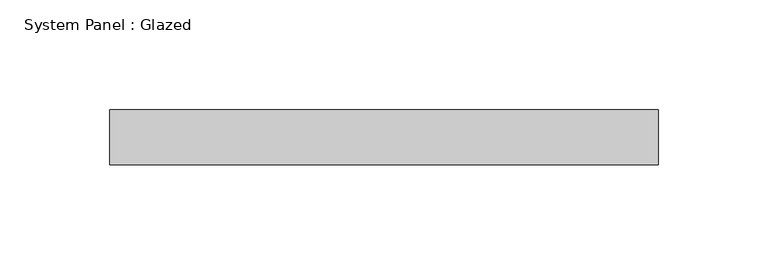
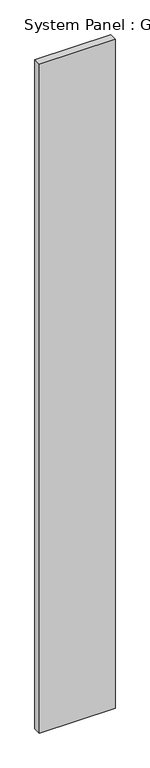
"""IFC4 building model written with IfcOpenShell, lengths in millimetres: plate geometry, System Panel : Glazed."""

import ifcopenshell
import ifcopenshell.guid

model = None  # the IFC model being written
_history = None  # IfcOwnerHistory: only IFC2X3 demands one
_inside = {}  # id of a spatial element -> (the spatial element, [elements in it])
_under = {}  # id of a project, library or spatial element -> (it, [spatial elements below it])
_declared = {}  # id of a project -> (the project, [libraries it declares])
_typed = {}  # id of a type object -> (the type object, [elements of that type])
_made_of = {}  # id of a material, layer set ... -> (it, [elements and type objects made of it])


def new_model(schema):
    """Start an empty IFC model of exactly this schema.

    Asked for "IFC4X3", IfcOpenShell would pick the latest addendum, in which some entities
    have other attributes; the version numbers below select the first issue.
    IFC2X3 requires an IfcOwnerHistory on every rooted entity: one is made here for all.
    """
    global model, _history
    if schema == "IFC4X3":
        model = ifcopenshell.file(schema_version=(4, 3, 0, 0))
    else:
        model = ifcopenshell.file(schema=schema)
    _inside.clear()
    _under.clear()
    _declared.clear()
    _typed.clear()
    _made_of.clear()
    _history = None
    if model.schema == "IFC2X3":
        org = make("IfcOrganization", Name="unknown")
        user = make(
            "IfcPersonAndOrganization",
            ThePerson=make("IfcPerson", FamilyName="unknown"),
            TheOrganization=org,
        )
        app = make(
            "IfcApplication",
            ApplicationDeveloper=org,
            Version="unknown",
            ApplicationFullName="unknown",
            ApplicationIdentifier="unknown",
        )
        _history = make(
            "IfcOwnerHistory",
            OwningUser=user,
            OwningApplication=app,
            ChangeAction="ADDED",
            CreationDate=0,
        )
    return model


def make(cls, **values):
    """One entity of the class cls with the attributes given. An attribute that is None is left unset."""
    return model.create_entity(
        cls, **{name: value for name, value in values.items() if value is not None}
    )


def rooted(cls, **values):
    """An entity with a GlobalId (a new one), such as an element, a storey or a relation."""
    return make(cls, GlobalId=ifcopenshell.guid.new(), OwnerHistory=_history, **values)


def si_unit(unit_type, name, prefix=None):
    """IfcSIUnit, for example si_unit("LENGTHUNIT", "METRE", prefix="MILLI")."""
    return make("IfcSIUnit", UnitType=unit_type, Prefix=prefix, Name=name)


def assignment(units):
    """IfcUnitAssignment: the units of a project."""
    return None if units is None else make("IfcUnitAssignment", Units=units)


def point(xyz):
    """IfcCartesianPoint."""
    return None if xyz is None else make("IfcCartesianPoint", Coordinates=xyz)


def direction(xyz):
    """IfcDirection."""
    return None if xyz is None else make("IfcDirection", DirectionRatios=xyz)


def frame(location, z_axis=None, x_axis=None):
    """IfcAxis2Placement3D, a coordinate frame: its origin and axes. An axis left out is left unset."""
    return make(
        "IfcAxis2Placement3D",
        Location=point(location),
        Axis=direction(z_axis),
        RefDirection=direction(x_axis),
    )


def origin():
    """The frame at (0, 0, 0) with its axes left unset."""
    return frame((0.0, 0.0, 0.0))


def origin_with_axes():
    """The frame at (0, 0, 0) with the z axis (0, 0, 1) and the x axis (1, 0, 0) written out."""
    return frame((0.0, 0.0, 0.0), z_axis=(0.0, 0.0, 1.0), x_axis=(1.0, 0.0, 0.0))


def place(relative_to, where):
    """IfcLocalPlacement: puts the frame where relative to a parent placement (None: the world)."""
    return make(
        "IfcLocalPlacement", PlacementRelTo=relative_to, RelativePlacement=where
    )


def context(
    kind, dimensions, precision=None, world=None, true_north=None, identifier=None
):
    """IfcGeometricRepresentationContext, for example the 3D "Model" context."""
    return make(
        "IfcGeometricRepresentationContext",
        ContextIdentifier=identifier,
        ContextType=kind,
        CoordinateSpaceDimension=dimensions,
        Precision=precision,
        WorldCoordinateSystem=world,
        TrueNorth=true_north,
    )


def project(units=None, contexts=None):
    """IfcProject with its units and contexts."""
    return rooted(
        "IfcProject",
        Name="project",
        RepresentationContexts=contexts,
        UnitsInContext=assignment(units),
    )


def spatial(cls, under=None, at=None, **own):
    """A site, building, storey or space (cls), placed at a placement, below another one or the project."""
    s = rooted(cls, ObjectPlacement=at, **own)
    if under is not None:
        _under.setdefault(under.id(), (under, []))[1].append(s)
    return s


def polyline(points):
    """IfcPolyline through the points."""
    return make("IfcPolyline", Points=[point(p) for p in points])


def outline(outer, holes=None, kind="AREA"):
    """IfcArbitraryClosedProfileDef: a profile drawn as a closed curve; with holes, ...WithVoids."""
    if holes is None:
        return make("IfcArbitraryClosedProfileDef", ProfileType=kind, OuterCurve=outer)
    return make(
        "IfcArbitraryProfileDefWithVoids",
        ProfileType=kind,
        OuterCurve=outer,
        InnerCurves=holes,
    )


def extrude(swept, where, along, depth):
    """IfcExtrudedAreaSolid: the profile swept, set in the frame where, extruded along a direction by depth."""
    return make(
        "IfcExtrudedAreaSolid",
        SweptArea=swept,
        Position=where,
        ExtrudedDirection=direction(along),
        Depth=depth,
    )


def shape(context_of_items, identifier, shape_type, items):
    """IfcShapeRepresentation: the items that make up one representation, for example the "Body"."""
    return make(
        "IfcShapeRepresentation",
        ContextOfItems=context_of_items,
        RepresentationIdentifier=identifier,
        RepresentationType=shape_type,
        Items=items,
    )


def source(mapping_origin, context_of_items, identifier, shape_type, items):
    """IfcRepresentationMap: a shape defined once, which mapped items show again and again."""
    return make(
        "IfcRepresentationMap",
        MappingOrigin=mapping_origin,
        MappedRepresentation=shape(context_of_items, identifier, shape_type, items),
    )


def transform(
    local_origin,
    x_axis=None,
    y_axis=None,
    z_axis=None,
    scale=None,
    scale2=None,
    scale3=None,
    uniform=True,
):
    """IfcCartesianTransformationOperator3D, or its non-uniform kind. x_axis, y_axis, z_axis: its Axis1, 2, 3."""
    if uniform:
        return make(
            "IfcCartesianTransformationOperator3D",
            Axis1=direction(x_axis),
            Axis2=direction(y_axis),
            LocalOrigin=point(local_origin),
            Scale=scale,
            Axis3=direction(z_axis),
        )
    return make(
        "IfcCartesianTransformationOperator3DnonUniform",
        Axis1=direction(x_axis),
        Axis2=direction(y_axis),
        LocalOrigin=point(local_origin),
        Scale=scale,
        Axis3=direction(z_axis),
        Scale2=scale2,
        Scale3=scale3,
    )


def mapped(mapping_source, mapping_target):
    """IfcMappedItem: shows the shape of a source again, moved by a transform."""
    return make(
        "IfcMappedItem", MappingSource=mapping_source, MappingTarget=mapping_target
    )


def made_of(thing, what):
    """Note that an element or type object is made of a material, layer set ...; save() writes the relation."""
    if what is not None:
        _made_of.setdefault(what.id(), (what, []))[1].append(thing)
    return thing


def element(
    cls,
    number,
    at=None,
    inside=None,
    cuts=None,
    type_object=None,
    material=None,
    context=None,
    identifier="Body",
    shape_type=None,
    held_by="IfcProductDefinitionShape",
    body=None,
    shapes=None,
    **own,
):
    """One element of the class cls, such as IfcWall. Its Tag is "e" and its number.

    at: its placement. inside: the storey or other place that contains it. cuts: it is an
    opening in that element (IfcRelVoidsElement). A single representation is given by context,
    identifier, shape_type and body (its items); several are given by shapes. held_by: the class
    of the entity that holds the representations. save() writes the other relations.
    """
    e = rooted(cls, Tag="e%d" % number, ObjectPlacement=at, **own)
    if body is not None:
        shapes = [shape(context, identifier, shape_type, body)]
    if shapes is not None:
        e.Representation = make(held_by, Representations=shapes)
    if inside is not None:
        _inside.setdefault(inside.id(), (inside, []))[1].append(e)
    if cuts is not None:
        rooted(
            "IfcRelVoidsElement", RelatingBuildingElement=cuts, RelatedOpeningElement=e
        )
    if type_object is not None:
        _typed.setdefault(type_object.id(), (type_object, []))[1].append(e)
    return made_of(e, material)


def aggregate(whole, parts):
    """IfcRelAggregates: a whole, such as a stair, and the parts it consists of."""
    return rooted("IfcRelAggregates", RelatingObject=whole, RelatedObjects=parts)


def save(model, path):
    """Write the relations noted so far, then the file.

    IfcRelAggregates (storeys below a building ...), IfcRelContainedInSpatialStructure (elements
    in a storey), IfcRelDefinesByType, IfcRelAssociatesMaterial and IfcRelDeclares: one each for
    every whole, place, type object, material and project.
    """
    for whole, parts in _under.values():
        aggregate(whole, parts)
    for where, things in _inside.values():
        rooted(
            "IfcRelContainedInSpatialStructure",
            RelatedElements=things,
            RelatingStructure=where,
        )
    for kind, things in _typed.values():
        rooted("IfcRelDefinesByType", RelatedObjects=things, RelatingType=kind)
    for what, things in _made_of.values():
        rooted("IfcRelAssociatesMaterial", RelatedObjects=things, RelatingMaterial=what)
    for by, libraries in _declared.values():
        rooted("IfcRelDeclares", RelatingContext=by, RelatedDefinitions=libraries)
    model.write(path)


def system_panel_glazed_ee9fbe8e(model_context):
    return source(origin(), model_context, "Body", "SweptSolid", [
        extrude(outline(polyline([(124.5771004, 24.5), (-124.5771004, 24.5), (-124.5771004, 49.5), (124.5771004, 49.5), (124.5771004, 24.5)])), origin_with_axes(), (0.0, 0.0, 1.0), 2325.0),
    ])


if __name__ == "__main__":
    model = new_model("IFC4")
    model_context = context("Model", 3, world=origin())
    ifc_project = project(units=[si_unit("LENGTHUNIT", "METRE", prefix="MILLI")], contexts=[model_context])
    site = spatial("IfcSite", under=ifc_project)
    building = spatial("IfcBuilding", under=site)
    placement = place(None, origin())
    system_panel_glazed_shape = system_panel_glazed_ee9fbe8e(model_context)
    element("IfcPlate", 1, ObjectType="System Panel : Glazed", at=placement, inside=building, context=model_context, shape_type="MappedRepresentation", body=[
        mapped(system_panel_glazed_shape, transform((0.0, 0.0, 0.0), x_axis=(1.0, 0.0, 0.0), y_axis=(0.0, 1.0, 0.0), z_axis=(0.0, 0.0, 1.0))),
    ])
    save(model, "model.ifc")
